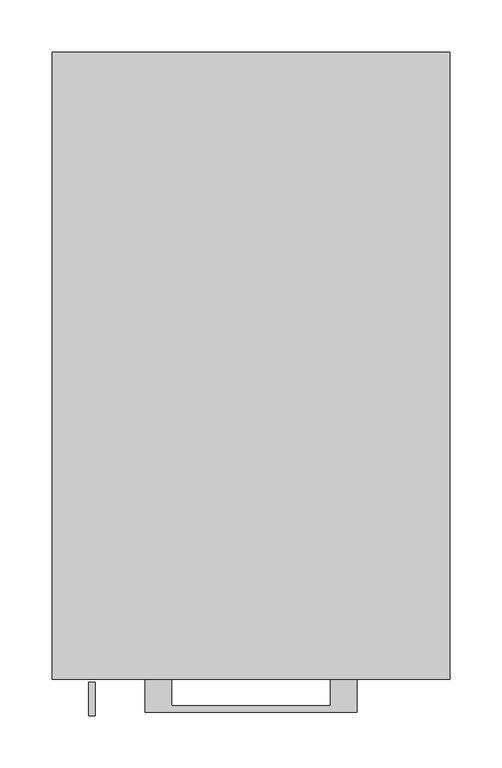
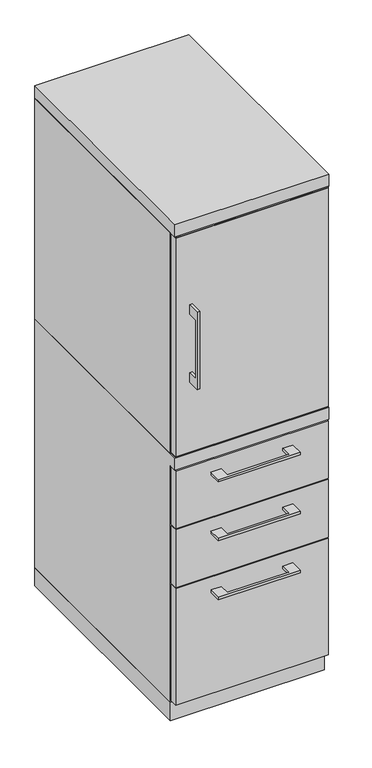
"""IFC4 building model written with IfcOpenShell, lengths in millimetres: furniture geometry."""

from ifc_helpers import new_model, si_unit, frame, origin, origin_with_axes, place, context, project, spatial, polyline, outline, extrude, faceted_brep, source, transform, mapped, element, save


def furniture_ad938a02(model_context):
    return source(origin(), model_context, "Body", "SolidModel", [
        extrude(outline(polyline([(-603.25, 1063.625), (-628.6499758, 1063.625), (-628.6499758, 911.225), (-603.25, 911.225), (-603.25, 885.825), (-634.9999879, 885.825), (-634.9999879, 1089.025), (-603.25, 1089.025), (-603.25, 1063.625)])), frame((-155.5749879, 0.0, 0.0), z_axis=(1.0, 0.0, 0.0), x_axis=(0.0, 1.0, 0.0)), (0.0, 0.0, 1.0), 6.3499758),
        extrude(outline(polyline([(188.9125, -600.075), (-188.9125, -600.075), (-188.9125, -581.025), (188.9125, -581.025), (188.9125, -600.075)])), frame((0.0, 0.0, 701.675), z_axis=(0.0, 0.0, 1.0), x_axis=(1.0, 0.0, 0.0)), (0.0, 0.0, 1.0), 571.5),
        extrude(outline(polyline([(-76.1999818, -600.075), (-76.1999818, -625.4749758), (76.2, -625.4749758), (76.2, -600.075), (101.5999939, -600.075), (101.5999939, -631.8249879), (-101.5999939, -631.8249879), (-101.5999939, -600.075), (-76.1999818, -600.075)])), frame((0.0, 0.0, 623.8875506), z_axis=(0.0, 0.0, 1.0), x_axis=(1.0, 0.0, 0.0)), (0.0, 0.0, 1.0), 6.3499758),
        extrude(outline(polyline([(188.9125, -581.025), (188.9125, -600.075), (-188.9125, -600.075), (-188.9125, -581.025), (188.9125, -581.025)])), frame((0.0, 0.0, 512.7625), z_axis=(0.0, 0.0, 1.0), x_axis=(1.0, 0.0, 0.0)), (0.0, 0.0, 1.0), 150.8125),
        extrude(outline(polyline([(-76.1999818, -600.075), (-76.1999818, -625.4749758), (76.2, -625.4749758), (76.2, -600.075), (101.5999939, -600.075), (101.5999939, -631.8249879), (-101.5999939, -631.8249879), (-101.5999939, -600.075), (-76.1999818, -600.075)])), frame((0.0, 0.0, 469.9000506), z_axis=(0.0, 0.0, 1.0), x_axis=(1.0, 0.0, 0.0)), (0.0, 0.0, 1.0), 6.3499758),
        extrude(outline(polyline([(188.9125, -581.025), (188.9125, -600.075), (-188.9125, -600.075), (-188.9125, -581.025), (188.9125, -581.025)])), frame((0.0, 0.0, 358.775), z_axis=(0.0, 0.0, 1.0), x_axis=(1.0, 0.0, 0.0)), (0.0, 0.0, 1.0), 150.8125),
        extrude(outline(polyline([(-76.1999818, -600.075), (-76.1999818, -625.4749758), (76.2, -625.4749758), (76.2, -600.075), (101.5999939, -600.075), (101.5999939, -631.8249879), (-101.5999939, -631.8249879), (-101.5999939, -600.075), (-76.1999818, -600.075)])), frame((0.0, 0.0, 315.9125506), z_axis=(0.0, 0.0, 1.0), x_axis=(1.0, 0.0, 0.0)), (0.0, 0.0, 1.0), 6.3499758),
        extrude(outline(polyline([(188.9125, -581.025), (188.9125, -600.075), (-188.9125, -600.075), (-188.9125, -581.025), (188.9125, -581.025)])), frame((0.0, 0.0, 50.8), z_axis=(0.0, 0.0, 1.0), x_axis=(1.0, 0.0, 0.0)), (0.0, 0.0, 1.0), 304.8),
        extrude(outline(polyline([(188.9125, -581.025), (188.9125, -600.075), (-188.9125, -600.075), (-188.9125, -581.025), (188.9125, -581.025)])), frame((0.0, 0.0, 698.5), z_axis=(0.0, 0.0, 1.0), x_axis=(1.0, 0.0, 0.0)), (0.0, 0.0, 1.0), 577.85),
        extrude(outline(polyline([(-171.45, 0.0), (-171.45, -581.025), (-190.5, -581.025), (-190.5, 0.0), (-171.45, 0.0)])), frame((0.0, 0.0, 698.5), z_axis=(0.0, 0.0, 1.0), x_axis=(1.0, 0.0, 0.0)), (0.0, 0.0, 1.0), 577.85),
        extrude(outline(polyline([(190.5, -581.025), (171.45, -581.025), (171.45, 0.0), (190.5, 0.0), (190.5, -581.025)])), frame((0.0, 0.0, 698.5), z_axis=(0.0, 0.0, 1.0), x_axis=(1.0, 0.0, 0.0)), (0.0, 0.0, 1.0), 577.85),
        extrude(outline(polyline([(171.45, -19.05), (-171.45, -19.05), (-171.45, 0.0), (171.45, 0.0), (171.45, -19.05)])), frame((0.0, 0.0, 47.625), z_axis=(0.0, 0.0, 1.0), x_axis=(1.0, 0.0, 0.0)), (0.0, 0.0, 1.0), 1228.725),
        faceted_brep([(-171.45, 0.0, 698.5), (-190.5, 0.0, 698.5), (-190.5, -600.075, 698.5), (190.5, -600.075, 698.5), (190.5, 0.0, 698.5), (171.45, 0.0, 698.5), (171.45, -19.05, 698.5), (-171.45, -19.05, 698.5), (-171.45, 0.0, 47.625), (-171.45, -581.025, 47.625), (-190.5, -581.025, 47.625), (-190.5, 0.0, 47.625), (-190.5, -581.025, 666.75), (-190.5, -600.075, 666.75), (-171.45, -581.025, 666.75), (-171.45, -19.05, 666.75), (190.5, -600.075, 666.75), (171.45, -19.05, 666.75), (171.45, -581.025, 666.75), (190.5, -581.025, 666.75), (190.5, -581.025, 47.625), (190.5, 0.0, 47.625), (171.45, -581.025, 47.625), (171.45, 0.0, 47.625)], [[[0, 1, 2, 3, 4, 5, 6, 7]], [[8, 9, 10, 11]], [[1, 0, 8, 11]], [[11, 10, 12, 13, 2, 1]], [[10, 9, 14, 12]], [[9, 8, 0, 7, 15, 14]], [[16, 13, 12, 14, 15, 17, 18, 19]], [[15, 7, 6, 17]], [[3, 2, 13, 16]], [[4, 3, 16, 19, 20, 21]], [[21, 20, 22, 23]], [[5, 4, 21, 23]], [[23, 22, 18, 17, 6, 5]], [[22, 20, 19, 18]]]),
        extrude(outline(polyline([(190.5, 0.0), (190.5, -600.075), (-190.5, -600.075), (-190.5, 0.0), (190.5, 0.0)])), frame((0.0, 0.0, 1276.35), z_axis=(0.0, 0.0, 1.0), x_axis=(1.0, 0.0, 0.0)), (0.0, 0.0, 1.0), 31.75),
        extrude(outline(polyline([(190.5, 0.0), (190.5, -581.025), (-190.5, -581.025), (-190.5, 0.0), (190.5, 0.0)])), origin_with_axes(), (0.0, 0.0, 1.0), 47.625),
    ])


if __name__ == "__main__":
    model = new_model("IFC4")
    model_context = context("Model", 3, world=origin())
    ifc_project = project(units=[si_unit("LENGTHUNIT", "METRE", prefix="MILLI")], contexts=[model_context])
    site = spatial("IfcSite", under=ifc_project)
    building = spatial("IfcBuilding", under=site)
    placement = place(None, origin())
    furniture_shape = furniture_ad938a02(model_context)
    element("IfcFurniture", 1, at=placement, inside=building, context=model_context, shape_type="MappedRepresentation", body=[
        mapped(furniture_shape, transform((0.0, 0.0, 0.0), x_axis=(1.0, 0.0, 0.0), y_axis=(0.0, 1.0, 0.0), z_axis=(0.0, 0.0, 1.0))),
    ])
    save(model, "model.ifc")
